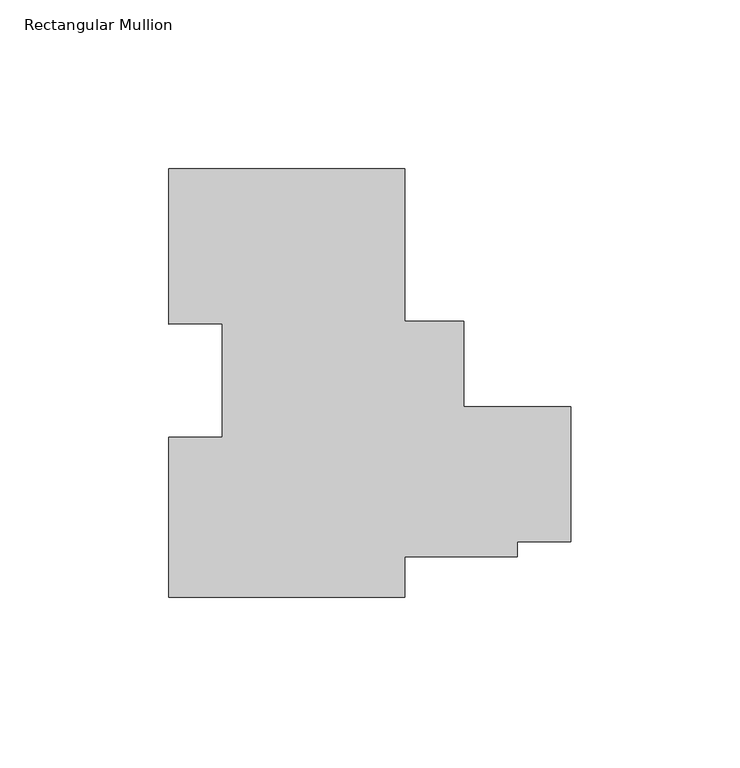
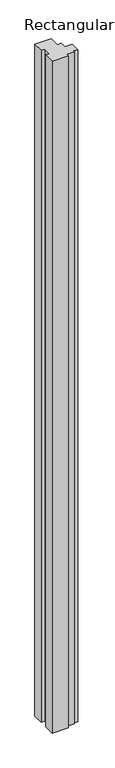
"""IFC4 building model written with IfcOpenShell, lengths in millimetres: member geometry, Rectangular Mullion."""

from ifc_helpers import new_model, si_unit, frame, origin, place, context, project, spatial, polyline, outline, extrude, source, transform, mapped, element, save


def rectangular_mullion_2fe0a696(model_context):
    return source(origin(), model_context, "Body", "SweptSolid", [
        extrude(outline(polyline([(-49.3156857, 50.3917871), (-49.3156857, 5.2180827), (-31.74817, 5.2180827), (-31.74817, -20.1819173), (0.0, -20.1819173), (0.0, -60.1788948), (-15.8740905, -60.1788948), (-15.8740905, -64.6238948), (-49.3156857, -64.6238948), (-49.3156857, -76.6082129), (-119.1656857, -76.6082129), (-119.1656857, -29.1483129), (-103.2906857, -29.1483129), (-103.2906857, 4.4764992), (-119.1656857, 4.28245), (-119.1656857, 50.3917871), (-49.3156857, 50.3917871)])), frame((0.0, 0.0, -3048.0), z_axis=(0.0, 0.0, 1.0), x_axis=(1.0, 0.0, 0.0)), (0.0, 0.0, 1.0), 3048.0),
    ])


if __name__ == "__main__":
    model = new_model("IFC4")
    model_context = context("Model", 3, world=origin())
    ifc_project = project(units=[si_unit("LENGTHUNIT", "METRE", prefix="MILLI")], contexts=[model_context])
    site = spatial("IfcSite", under=ifc_project)
    building = spatial("IfcBuilding", under=site)
    placement = place(None, origin())
    rectangular_mullion_shape = rectangular_mullion_2fe0a696(model_context)
    element("IfcMember", 1, ObjectType="Rectangular Mullion", at=placement, inside=building, context=model_context, shape_type="MappedRepresentation", body=[
        mapped(rectangular_mullion_shape, transform((0.0, 0.0, 0.0), x_axis=(1.0, 0.0, 0.0), y_axis=(0.0, 1.0, 0.0), z_axis=(0.0, 0.0, 1.0))),
    ])
    save(model, "model.ifc")
